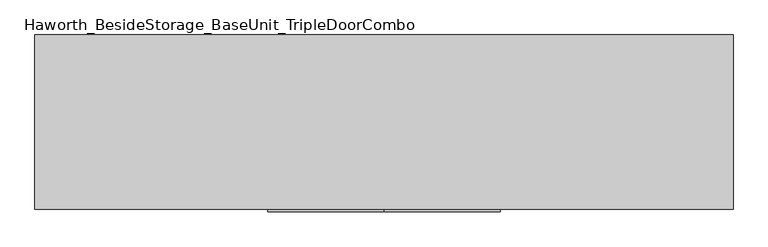
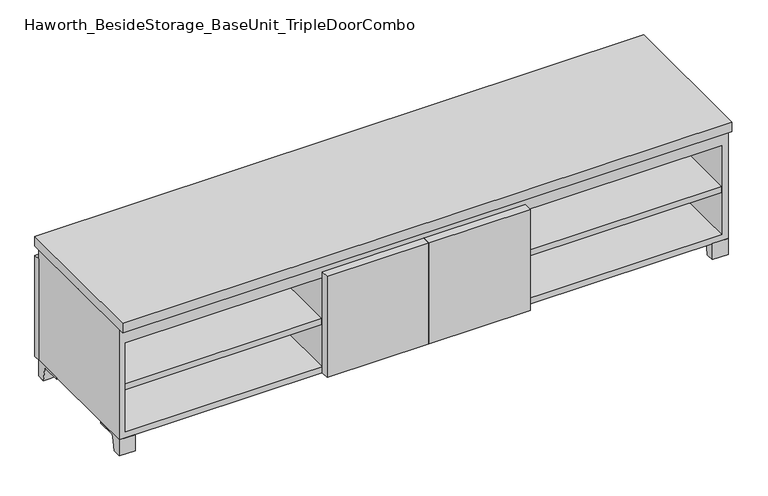
"""IFC4 building model written with IfcOpenShell, lengths in millimetres: furniture geometry, Haworth_BesideStorage_BaseUnit_TripleDoorCombo."""

from ifc_helpers import new_model, si_unit, point, frame, frame_2d, origin, place, context, project, spatial, polyline, circle_curve, trimmed, segment, composite_curve, outline, extrude, source, transform, mapped, element, save


def haworth_besidestorage_baseunit_tripledoorcombo_a6d403b0(model_context):
    return source(origin(), model_context, "Body", "SweptSolid", [
        extrude(outline(polyline([(304.8069453, 241.3), (895.3569453, 241.3), (895.3569453, -142.875), (304.8069453, -142.875), (304.8069453, 241.3)])), frame((0.0, 0.0, 201.6125), z_axis=(0.0, 0.0, 1.0), x_axis=(1.0, 0.0, 0.0)), (0.0, 0.0, 1.0), 19.05),
        extrude(outline(polyline([(-304.7791641, 241.3), (-304.7791641, -142.875), (-895.3291641, -142.875), (-895.3291641, 241.3), (-304.7791641, 241.3)])), frame((0.0, 0.0, 201.6125), z_axis=(0.0, 0.0, 1.0), x_axis=(1.0, 0.0, 0.0)), (0.0, 0.0, 1.0), 19.05),
        extrude(outline(polyline([(285.7638906, 241.3), (285.7638906, -142.875), (-285.7361094, -142.875), (-285.7361094, 241.3), (285.7638906, 241.3)])), frame((0.0, 0.0, 201.6125), z_axis=(0.0, 0.0, 1.0), x_axis=(1.0, 0.0, 0.0)), (0.0, 0.0, 1.0), 19.05),
        extrude(outline(composite_curve([segment(polyline([(47.6249864, 0.0), (22.225, 0.0), (22.225, 50.8), (117.475, 50.8), (117.475, 46.0213321), (60.6744655, 46.0213321)]), True, "CONTINUOUS"), segment(trimmed(circle_curve(frame_2d((60.6744655, 39.6713321)), 6.35), [point((60.6744655, 46.0213321))], [point((54.4108641, 40.7152656))], True, "CARTESIAN"), True, "CONTINUOUS"), segment(polyline([(54.4108641, 40.7152656), (47.6249864, 0.0)]), True, "CONTINUOUS")], self_intersect=False)), frame((-23.7986094, 0.0, 0.0), z_axis=(1.0, 0.0, 0.0), x_axis=(0.0, 1.0, 0.0)), (0.0, 0.0, 1.0), 47.625),
        extrude(outline(polyline([(914.4138906, 292.1), (914.4138906, -165.1), (-914.3861094, -165.1), (-914.3861094, 292.1), (914.4138906, 292.1)])), frame((0.0, 0.0, 401.6375), z_axis=(0.0, 0.0, 1.0), x_axis=(1.0, 0.0, 0.0)), (0.0, 0.0, 1.0), 30.1625),
        extrude(outline(composite_curve([segment(polyline([(-120.6500136, 0.0), (-146.05, 0.0), (-146.05, 50.8), (-50.8, 50.8), (-50.8, 46.0213321), (-107.6005345, 46.0213321)]), True, "CONTINUOUS"), segment(trimmed(circle_curve(frame_2d((-107.6005345, 39.6713321)), 6.35), [point((-107.6005345, 46.0213321))], [point((-113.8641359, 40.7152656))], True, "CARTESIAN"), True, "CONTINUOUS"), segment(polyline([(-113.8641359, 40.7152656), (-120.6500136, 0.0)]), True, "CONTINUOUS")], self_intersect=False)), frame((866.7888906, 0.0, 0.0), z_axis=(1.0, 0.0, 0.0), x_axis=(0.0, 1.0, 0.0)), (0.0, 0.0, 1.0), 47.625),
        extrude(outline(composite_curve([segment(polyline([(247.6500136, 0.0), (240.8641359, 40.7152656)]), True, "CONTINUOUS"), segment(trimmed(circle_curve(frame_2d((234.6005345, 39.6713321)), 6.35), [point((240.8641359, 40.7152656))], [point((234.6005345, 46.0213321))], True, "CARTESIAN"), True, "CONTINUOUS"), segment(polyline([(234.6005345, 46.0213321), (177.8, 46.0213321), (177.8, 50.8), (273.05, 50.8), (273.05, 0.0), (247.6500136, 0.0)]), True, "CONTINUOUS")], self_intersect=False)), frame((866.7888906, 0.0, 0.0), z_axis=(1.0, 0.0, 0.0), x_axis=(0.0, 1.0, 0.0)), (0.0, 0.0, 1.0), 47.625),
        extrude(outline(composite_curve([segment(polyline([(-120.6500136, 0.0), (-146.05, 0.0), (-146.05, 50.8), (-50.8, 50.8), (-50.8, 46.0213321), (-107.6005345, 46.0213321)]), True, "CONTINUOUS"), segment(trimmed(circle_curve(frame_2d((-107.6005345, 39.6713321)), 6.35), [point((-107.6005345, 46.0213321))], [point((-113.8641359, 40.7152656))], True, "CARTESIAN"), True, "CONTINUOUS"), segment(polyline([(-113.8641359, 40.7152656), (-120.6500136, 0.0)]), True, "CONTINUOUS")], self_intersect=False)), frame((-914.3861094, 0.0, 0.0), z_axis=(1.0, 0.0, 0.0), x_axis=(0.0, 1.0, 0.0)), (0.0, 0.0, 1.0), 47.625),
        extrude(outline(composite_curve([segment(polyline([(247.6500136, 0.0), (240.8641359, 40.7152656)]), True, "CONTINUOUS"), segment(trimmed(circle_curve(frame_2d((234.6005345, 39.6713321)), 6.35), [point((240.8641359, 40.7152656))], [point((234.6005345, 46.0213321))], True, "CARTESIAN"), True, "CONTINUOUS"), segment(polyline([(234.6005345, 46.0213321), (177.8, 46.0213321), (177.8, 50.8), (273.05, 50.8), (273.05, 0.0), (247.6500136, 0.0)]), True, "CONTINUOUS")], self_intersect=False)), frame((-914.3861094, 0.0, 0.0), z_axis=(1.0, 0.0, 0.0), x_axis=(0.0, 1.0, 0.0)), (0.0, 0.0, 1.0), 47.625),
        extrude(outline(polyline([(0.0138906, -171.45), (0.0138906, -146.05), (304.8138906, -146.05), (304.8138906, -171.45), (0.0138906, -171.45)])), frame((0.0, 0.0, 50.8), z_axis=(0.0, 0.0, 1.0), x_axis=(1.0, 0.0, 0.0)), (0.0, 0.0, 1.0), 320.675),
        extrude(outline(polyline([(0.0138906, -171.45), (-304.7861094, -171.45), (-304.7861094, -146.05), (0.0138906, -146.05), (0.0138906, -171.45)])), frame((0.0, 0.0, 50.8), z_axis=(0.0, 0.0, 1.0), x_axis=(1.0, 0.0, 0.0)), (0.0, 0.0, 1.0), 320.675),
        extrude(outline(polyline([(-888.9791641, -120.65), (-888.9791641, 247.65), (-873.1041641, 247.65), (-873.1041641, 73.025), (-7.9236094, 73.025), (-7.9236094, 247.65), (7.9513906, 247.65), (7.9513906, 73.025), (873.1111094, 73.025), (873.1111094, 247.65), (888.9861094, 247.65), (888.9861094, -120.65), (873.1111094, -120.65), (873.1111094, 53.975), (7.9513906, 53.975), (7.9513906, -120.65), (-7.9236094, -120.65), (-7.9236094, 53.975), (-873.1041641, 53.975), (-873.1041641, -120.65), (-888.9791641, -120.65)])), frame((0.0, 0.0, 371.475), z_axis=(0.0, 0.0, 1.0), x_axis=(1.0, 0.0, 0.0)), (0.0, 0.0, 1.0), 30.1625),
        extrude(outline(polyline([(304.8138906, 241.3), (304.8138906, -142.875), (285.7638906, -142.875), (285.7638906, 241.3), (304.8138906, 241.3)])), frame((0.0, 0.0, 69.85), z_axis=(0.0, 0.0, 1.0), x_axis=(1.0, 0.0, 0.0)), (0.0, 0.0, 1.0), 282.575),
        extrude(outline(polyline([(-285.7361094, 241.3), (-285.7361094, -142.875), (-304.7861094, -142.875), (-304.7861094, 241.3), (-285.7361094, 241.3)])), frame((0.0, 0.0, 69.85), z_axis=(0.0, 0.0, 1.0), x_axis=(1.0, 0.0, 0.0)), (0.0, 0.0, 1.0), 282.575),
        extrude(outline(polyline([(914.4138906, 273.05), (-914.3861094, 273.05), (-914.3861094, 292.1), (914.4138906, 292.1), (914.4138906, 273.05)])), frame((0.0, 0.0, 50.8), z_axis=(0.0, 0.0, 1.0), x_axis=(1.0, 0.0, 0.0)), (0.0, 0.0, 1.0), 320.675),
        extrude(outline(polyline([(50.8, -914.3861094), (50.8, 914.4138906), (401.6375, 914.4138906), (401.6375, -914.3861094), (50.8, -914.3861094)]), holes=[polyline([(69.85, -895.3361094), (352.425, -895.3361094), (352.425, 895.3569453), (69.85, 895.3569453), (69.85, -895.3361094)])]), frame((0.0, -146.05, 0.0), z_axis=(0.0, 1.0, 0.0), x_axis=(0.0, 0.0, 1.0)), (0.0, 0.0, 1.0), 419.1),
        extrude(outline(polyline([(-895.3291641, 241.3), (-895.3291641, 247.65), (895.3569453, 247.65), (895.3569453, 241.3), (-895.3291641, 241.3)])), frame((0.0, 0.0, 69.85), z_axis=(0.0, 0.0, 1.0), x_axis=(1.0, 0.0, 0.0)), (0.0, 0.0, 1.0), 282.575),
    ])


if __name__ == "__main__":
    model = new_model("IFC4")
    model_context = context("Model", 3, world=origin())
    ifc_project = project(units=[si_unit("LENGTHUNIT", "METRE", prefix="MILLI")], contexts=[model_context])
    site = spatial("IfcSite", under=ifc_project)
    building = spatial("IfcBuilding", under=site)
    placement = place(None, origin())
    haworth_besidestorage_baseunit_tripledoorcombo_shape = haworth_besidestorage_baseunit_tripledoorcombo_a6d403b0(model_context)
    element("IfcFurniture", 1, ObjectType="Haworth_BesideStorage_BaseUnit_TripleDoorCombo", at=placement, inside=building, context=model_context, shape_type="MappedRepresentation", body=[
        mapped(haworth_besidestorage_baseunit_tripledoorcombo_shape, transform((0.0, 0.0, 0.0), x_axis=(1.0, 0.0, 0.0), y_axis=(0.0, 1.0, 0.0), z_axis=(0.0, 0.0, 1.0))),
    ])
    save(model, "model.ifc")
